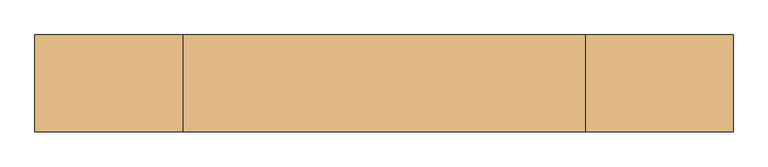
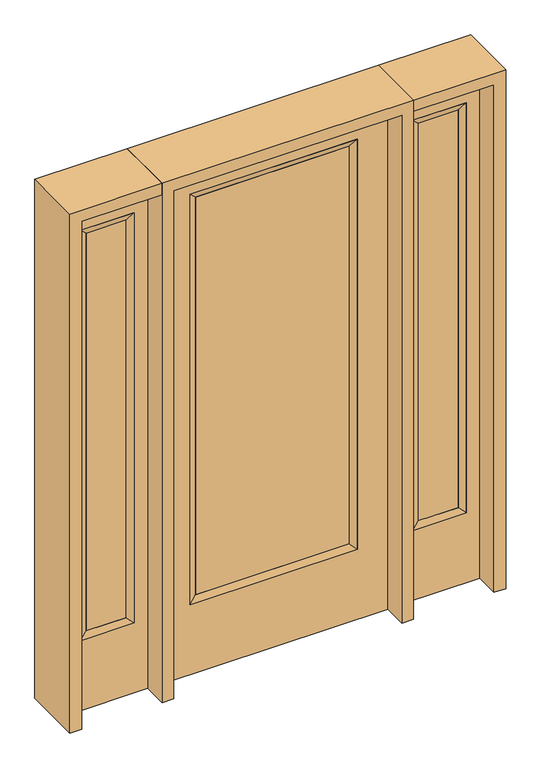
"""IFC4 building model written with IfcOpenShell, lengths in millimetres: door geometry."""

from ifc_helpers import new_model, si_unit, frame, origin, place, context, project, spatial, polyline, outline, extrude, faceted_brep, source, transform, mapped, element, save


def door_6ef13a0c(model_context):
    return source(origin(), model_context, "Body", "SolidModel", [
        extrude(outline(polyline([(290.9824, -12.7039749), (-290.9824, -12.7039749), (-290.9824, 14.2875), (290.9824, 14.2875), (290.9824, -12.7039749)])), frame((0.0, 0.0, 304.8), z_axis=(0.0, 0.0, 1.0), x_axis=(1.0, 0.0, 0.0)), (0.0, 0.0, 1.0), 1590.675),
        faceted_brep([(290.9824, 14.2875, 1895.475), (316.3824, 22.225, 1920.875), (316.3824, 22.225, 279.4), (290.9824, 14.2875, 304.8), (316.3824, -22.225, 1920.875), (316.3824, -22.225, 279.4), (-316.3824, 22.225, 279.4), (-290.9824, 14.2875, 304.8), (290.9824, -12.7039749, 1895.475), (290.9824, -12.7039749, 304.8), (-290.9824, -12.7039749, 304.8), (-316.3824, -22.225, 279.4), (-316.3824, 22.225, 1920.875), (-290.9824, 14.2875, 1895.475), (-290.9824, -12.7039749, 1895.475), (-316.3824, -22.225, 1920.875)], [[[0, 1, 2, 3]], [[1, 4, 5, 2]], [[3, 2, 6, 7]], [[8, 0, 3, 9]], [[9, 3, 7, 10]], [[4, 8, 9, 5]], [[5, 9, 10, 11]], [[2, 5, 11, 6]], [[7, 6, 12, 13]], [[10, 7, 13, 14]], [[11, 10, 14, 15]], [[6, 11, 15, 12]], [[13, 12, 1, 0]], [[14, 13, 0, 8]], [[15, 14, 8, 4]], [[12, 15, 4, 1]]]),
        extrude(outline(polyline([(0.0, -431.8), (0.0, 431.8), (2032.0, 431.8), (2032.0, -431.8), (0.0, -431.8)]), holes=[polyline([(279.4, -316.3824), (1920.875, -316.3824), (1920.875, 316.3824), (279.4, 316.3824), (279.4, -316.3824)])]), frame((0.0, -22.225, 0.0), z_axis=(0.0, 1.0, 0.0), x_axis=(0.0, 0.0, 1.0)), (0.0, 0.0, 1.0), 44.45),
        faceted_brep([(527.05, 20.6375, 1920.875), (527.05, 20.6375, 279.4), (527.05, -20.6375, 279.4), (527.05, -20.6375, 1920.875), (552.45, -12.7, 304.8), (552.45, -12.7, 1895.475), (730.25, 20.6375, 279.4), (730.25, -20.6375, 279.4), (552.45, 12.7, 1895.475), (552.45, 12.7, 304.8), (704.85, 12.7, 304.8), (704.85, -12.7, 304.8), (730.25, 20.6375, 1920.875), (730.25, -20.6375, 1920.875), (704.85, 12.7, 1895.475), (704.85, -12.7, 1895.475)], [[[0, 1, 2, 3]], [[3, 2, 4, 5]], [[1, 6, 7, 2]], [[8, 9, 1, 0]], [[9, 10, 6, 1]], [[5, 4, 9, 8]], [[4, 11, 10, 9]], [[2, 7, 11, 4]], [[6, 12, 13, 7]], [[10, 14, 12, 6]], [[11, 15, 14, 10]], [[7, 13, 15, 11]], [[12, 0, 3, 13]], [[14, 8, 0, 12]], [[15, 5, 8, 14]], [[13, 3, 5, 15]]]),
        extrude(outline(polyline([(0.0, 781.05), (2032.0, 781.05), (2032.0, 476.25), (0.0, 476.25), (0.0, 781.05)]), holes=[polyline([(1920.875, 527.05), (1920.875, 730.25), (279.4, 730.25), (279.4, 527.05), (1920.875, 527.05)])]), frame((0.0, -20.6375, 0.0), z_axis=(0.0, 1.0, 0.0), x_axis=(0.0, 0.0, 1.0)), (0.0, 0.0, 1.0), 41.275),
        extrude(outline(polyline([(552.45, -12.7), (552.45, 12.7), (704.85, 12.7), (704.85, -12.7), (552.45, -12.7)])), frame((0.0, 0.0, 304.8), z_axis=(0.0, 0.0, 1.0), x_axis=(1.0, 0.0, 0.0)), (0.0, 0.0, 1.0), 1590.675),
        faceted_brep([(-527.05, 20.6375, 1920.875), (-527.05, -20.6375, 1920.875), (-527.05, -20.6375, 279.4), (-527.05, 20.6375, 279.4), (-552.45, -12.7, 1895.475), (-552.45, -12.7, 304.8), (-730.25, -20.6375, 279.4), (-730.25, 20.6375, 279.4), (-552.45, 12.7, 1895.475), (-552.45, 12.7, 304.8), (-704.85, 12.7, 304.8), (-704.85, -12.7, 304.8), (-730.25, -20.6375, 1920.875), (-730.25, 20.6375, 1920.875), (-704.85, 12.7, 1895.475), (-704.85, -12.7, 1895.475)], [[[0, 1, 2, 3]], [[1, 4, 5, 2]], [[3, 2, 6, 7]], [[8, 0, 3, 9]], [[9, 3, 7, 10]], [[4, 8, 9, 5]], [[5, 9, 10, 11]], [[2, 5, 11, 6]], [[7, 6, 12, 13]], [[10, 7, 13, 14]], [[11, 10, 14, 15]], [[6, 11, 15, 12]], [[13, 12, 1, 0]], [[14, 13, 0, 8]], [[15, 14, 8, 4]], [[12, 15, 4, 1]]]),
        extrude(outline(polyline([(0.0, -781.05), (0.0, -476.25), (2032.0, -476.25), (2032.0, -781.05), (0.0, -781.05)]), holes=[polyline([(1920.875, -527.05), (279.4, -527.05), (279.4, -730.25), (1920.875, -730.25), (1920.875, -527.05)])]), frame((0.0, -20.6375, 0.0), z_axis=(0.0, 1.0, 0.0), x_axis=(0.0, 0.0, 1.0)), (0.0, 0.0, 1.0), 41.275),
        extrude(outline(polyline([(-552.45, -12.7), (-704.85, -12.7), (-704.85, 12.7), (-552.45, 12.7), (-552.45, -12.7)])), frame((0.0, 0.0, 304.8), z_axis=(0.0, 0.0, 1.0), x_axis=(1.0, 0.0, 0.0)), (0.0, 0.0, 1.0), 1590.675),
        extrude(outline(polyline([(2032.0, -476.25), (2076.45, -476.25), (2076.45, -825.5), (0.0, -825.5), (0.0, -781.05), (2032.0, -781.05), (2032.0, -476.25)])), frame((0.0, -114.3, 0.0), z_axis=(0.0, 1.0, 0.0), x_axis=(0.0, 0.0, 1.0)), (0.0, 0.0, 1.0), 228.6),
        extrude(outline(polyline([(2076.45, -476.25), (0.0, -476.25), (0.0, -431.8), (2032.0, -431.8), (2032.0, 431.8), (0.0, 431.8), (0.0, 476.25), (2076.45, 476.25), (2076.45, -476.25)])), frame((0.0, -114.3, 0.0), z_axis=(0.0, 1.0, 0.0), x_axis=(0.0, 0.0, 1.0)), (0.0, 0.0, 1.0), 228.6),
        extrude(outline(polyline([(0.0, 781.05), (0.0, 825.5), (2076.45, 825.5), (2076.45, 476.25), (2032.0, 476.25), (2032.0, 781.05), (0.0, 781.05)])), frame((0.0, -114.3, 0.0), z_axis=(0.0, 1.0, 0.0), x_axis=(0.0, 0.0, 1.0)), (0.0, 0.0, 1.0), 228.6),
    ])


if __name__ == "__main__":
    model = new_model("IFC4")
    model_context = context("Model", 3, world=origin())
    ifc_project = project(units=[si_unit("LENGTHUNIT", "METRE", prefix="MILLI")], contexts=[model_context])
    site = spatial("IfcSite", under=ifc_project)
    building = spatial("IfcBuilding", under=site)
    placement = place(None, origin())
    door_shape = door_6ef13a0c(model_context)
    element("IfcDoor", 1, at=placement, inside=building, context=model_context, shape_type="MappedRepresentation", body=[
        mapped(door_shape, transform((0.0, 0.0, 0.0), x_axis=(1.0, 0.0, 0.0), y_axis=(0.0, 1.0, 0.0), z_axis=(0.0, 0.0, 1.0))),
    ])
    save(model, "model.ifc")
